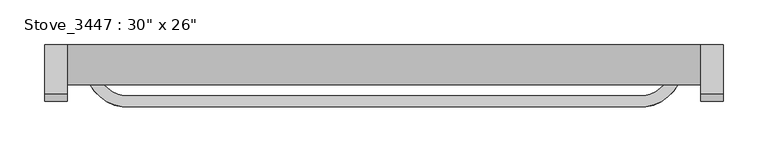
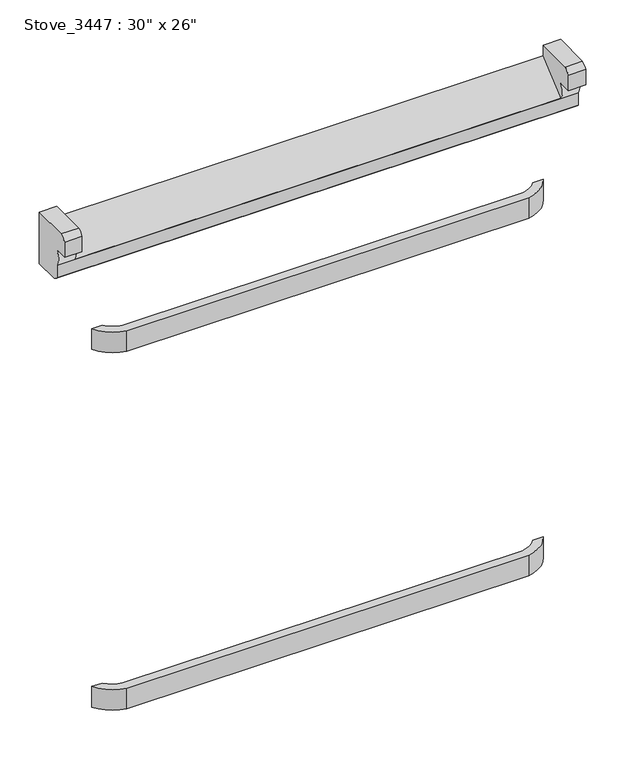
"""IFC4 building model written with IfcOpenShell, lengths in millimetres: proxy geometry."""

from ifc_helpers import new_model, si_unit, point, frame, frame_2d, origin, place, context, project, spatial, polyline, circle_curve, trimmed, segment, composite_curve, outline, extrude, source, transform, mapped, element, save
from ifc_brep_helpers import plane_surface, cylinder_surface, advanced_brep


def proxy_552093c6(model_context):
    return source(origin(), model_context, "Body", "SolidModel", [
        advanced_brep(
        [(762.0, -11.1564341, 914.4), (762.0, -19.05, 906.5064341), (762.0, -19.05, 882.65), (762.0, 0.0, 882.65), (762.0, 0.0, 859.0352534), (762.0, 0.0, 839.9852534), (762.0, 9.5347068, 834.4803879), (762.0, 44.45, 834.4803879), (762.0, 44.45, 914.4), (0.0, -11.1564341, 914.4), (0.0, 44.45, 914.4), (0.0, 44.45, 834.4803879), (0.0, 9.5347068, 834.4803879), (0.0, 0.0, 839.9852534), (0.0, 0.0, 859.0352534), (0.0, 0.0, 882.65), (0.0, -19.05, 882.65), (0.0, -19.05, 906.5064341), (736.6, -11.1564341, 914.4), (736.6, -19.05, 906.5064341), (25.4, -19.05, 906.5064341), (25.4, -11.1564341, 914.4), (736.6, -19.05, 882.65), (25.4, -19.05, 882.65), (736.6, 0.0, 882.65), (25.4, 0.0, 882.65), (736.6, -0.6847313, 859.9487911), (25.4, -0.6847313, 859.9487911), (25.4, 44.45, 914.4), (25.4, 44.45, 897.8213274), (736.6, 44.45, 897.8213274), (736.6, 44.45, 914.4)],
        [
            (0, 1, circle_curve(frame((762.0, -3.0723383, 898.4223383), z_axis=(1.0, 0.0, 0.0), x_axis=(0.0, -1.0, 0.0)), 17.9063754)),
            (1, 2),
            (2, 3),
            (3, 4, circle_curve(frame((762.0, 14.8010994, 870.8426267), z_axis=(1.0, 0.0, 0.0), x_axis=(0.0, -1.0, 0.0)), 18.9337426)),
            (4, 5),
            (5, 6, circle_curve(frame((762.0, 10.9240182, 847.896477), z_axis=(1.0, 0.0, 0.0), x_axis=(0.0, -1.0, 0.0)), 13.4878327)),
            (6, 7),
            (7, 8),
            (8, 0),
            (9, 10),
            (10, 11),
            (11, 12),
            (12, 13, circle_curve(frame((0.0, 10.9240182, 847.896477), z_axis=(-1.0, 0.0, 0.0), x_axis=(0.0, -1.0, 0.0)), 13.4878327)),
            (13, 14),
            (14, 15, circle_curve(frame((0.0, 14.8010994, 870.8426267), z_axis=(-1.0, 0.0, 0.0), x_axis=(0.0, -1.0, 0.0)), 18.9337426)),
            (15, 16),
            (16, 17),
            (17, 9, circle_curve(frame((0.0, -3.0723383, 898.4223383), z_axis=(-1.0, 0.0, 0.0), x_axis=(0.0, -1.0, 0.0)), 17.9063754)),
            (0, 18),
            (18, 19, circle_curve(frame((736.6, -3.0723383, 898.4223383), z_axis=(1.0, 0.0, 0.0), x_axis=(0.0, -1.0, 0.0)), 17.9063754)),
            (19, 1),
            (17, 20),
            (20, 21, circle_curve(frame((25.4, -3.0723383, 898.4223383), z_axis=(-1.0, 0.0, 0.0), x_axis=(0.0, -1.0, 0.0)), 17.9063754)),
            (21, 9),
            (19, 22),
            (22, 2),
            (16, 23),
            (23, 20),
            (22, 24),
            (24, 3),
            (15, 25),
            (25, 23),
            (24, 26, circle_curve(frame((736.6, 14.8010994, 870.8426267), z_axis=(1.0, 0.0, 0.0), x_axis=(0.0, -1.0, 0.0)), 18.9337426)),
            (26, 27),
            (27, 25, circle_curve(frame((25.4, 14.8010994, 870.8426267), z_axis=(-1.0, 0.0, 0.0), x_axis=(0.0, -1.0, 0.0)), 18.9337426)),
            (14, 4),
            (13, 5),
            (12, 6),
            (11, 7),
            (10, 28),
            (28, 29),
            (29, 30),
            (30, 31),
            (31, 8),
            (31, 18),
            (21, 28),
            (30, 26),
            (27, 29),
        ],
        [
            plane_surface(frame((762.0, 0.0, 914.4), z_axis=(1.0, 0.0, 0.0), x_axis=(0.0, 0.0, 1.0))),
            plane_surface(frame((0.0, 0.0, 914.4), z_axis=(-1.0, 0.0, 0.0), x_axis=(0.0, 0.0, 1.0))),
            cylinder_surface(frame((762.0, -3.0723383, 898.4223383), z_axis=(1.0, 0.0, 0.0), x_axis=(0.0, -1.0, 0.0)), 17.9063754),
            plane_surface(frame((762.0, -19.05, 906.5064341), z_axis=(0.0, -1.0, 0.0), x_axis=(-1.0, 0.0, 0.0))),
            plane_surface(frame((762.0, -19.05, 882.65), z_axis=(0.0, 0.0, -1.0), x_axis=(-1.0, 0.0, 0.0))),
            cylinder_surface(frame((762.0, 14.8010994, 870.8426267), z_axis=(1.0, 0.0, 0.0), x_axis=(0.0, -1.0, 0.0)), 18.9337426),
            plane_surface(frame((762.0, 0.0, 859.0352534), z_axis=(0.0, -1.0, 0.0), x_axis=(-1.0, 0.0, 0.0))),
            cylinder_surface(frame((762.0, 10.9240182, 847.896477), z_axis=(1.0, 0.0, 0.0), x_axis=(0.0, -1.0, 0.0)), 13.4878327),
            plane_surface(frame((762.0, 9.5347068, 834.4803879), z_axis=(0.0, 0.0, -1.0), x_axis=(-1.0, 0.0, 0.0))),
            plane_surface(frame((762.0, 44.45, 834.4803879), z_axis=(0.0, 1.0, 0.0), x_axis=(-1.0, 0.0, 0.0))),
            plane_surface(frame((762.0, 44.45, 914.4), z_axis=(0.0, 0.0, 1.0), x_axis=(-1.0, 0.0, 0.0))),
            plane_surface(frame((736.6, -11.1564341, 914.4), z_axis=(-1.0, 0.0, 0.0), x_axis=(0.0, 0.0, 1.0))),
            plane_surface(frame((25.4, -11.1564341, 914.4), z_axis=(1.0, 0.0, 0.0), x_axis=(0.0, 0.0, 1.0))),
            plane_surface(frame((736.6, -4.335527, 856.8854097), z_axis=(0.0, -0.6427876096865406, 0.766044443118977), x_axis=(-1.0, 0.0, 0.0))),
        ],
        [
            (0, [[1, 2, 3, 4, 5, 6, 7, 8, 9]]),
            (1, [[10, 11, 12, 13, 14, 15, 16, 17, 18]]),
            (2, [[-1, 19, 20, 21]]),
            (2, [[-18, 22, 23, 24]]),
            (3, [[-2, -21, 25, 26]]),
            (3, [[-17, 27, 28, -22]]),
            (4, [[-3, -26, 29, 30]]),
            (4, [[-16, 31, 32, -27]]),
            (5, [[-4, -30, 33, 34, 35, -31, -15, 36]]),
            (6, [[-5, -36, -14, 37]]),
            (7, [[-6, -37, -13, 38]]),
            (8, [[-7, -38, -12, 39]]),
            (9, [[-8, -39, -11, 40, 41, 42, 43, 44]]),
            (10, [[-9, -44, 45, -19]]),
            (10, [[-10, -24, 46, -40]]),
            (11, [[47, -33, -29, -25, -20, -45, -43]]),
            (12, [[48, -41, -46, -23, -28, -32, -35]]),
            (13, [[-47, -42, -48, -34]]),
        ],
    ),
        extrude(outline(composite_curve([segment(trimmed(circle_curve(frame_2d((94.6392348, 23.8608107)), 49.9120906), [point((87.2113084, -25.4954726))], [point((50.8, 0.0))], False, "CARTESIAN"), True, "CONTINUOUS"), segment(polyline([(50.8, 0.0), (66.0840005, 0.0)]), True, "CONTINUOUS"), segment(trimmed(circle_curve(frame_2d((94.6392348, 23.8608107)), 37.2120906), [point((66.0840005, 0.0))], [point((88.6267021, -12.8623311))], True, "CARTESIAN"), True, "CONTINUOUS"), segment(trimmed(circle_curve(frame_2d((381.0, 4297.676907)), 4320.4433416), [point((88.6267021, -12.8623311))], [point((673.3732979, -12.8623311))], True, "CARTESIAN"), True, "CONTINUOUS"), segment(trimmed(circle_curve(frame_2d((667.3607652, 23.8608107)), 37.2120906), [point((673.3732979, -12.8623311))], [point((695.9159995, 0.0))], True, "CARTESIAN"), True, "CONTINUOUS"), segment(polyline([(695.9159995, 0.0), (711.2, 0.0)]), True, "CONTINUOUS"), segment(trimmed(circle_curve(frame_2d((667.3607652, 23.8608107)), 49.9120906), [point((711.2, 0.0))], [point((674.7886916, -25.4954726))], False, "CARTESIAN"), True, "CONTINUOUS"), segment(trimmed(circle_curve(frame_2d((381.0, 4297.676907)), 4333.1433416), [point((674.7886916, -25.4954726))], [point((87.2113084, -25.4954726))], False, "CARTESIAN"), True, "CONTINUOUS")], self_intersect=False)), frame((0.0, 0.0, 158.2521604), z_axis=(0.0, 0.0, 1.0), x_axis=(1.0, 0.0, 0.0)), (0.0, 0.0, 1.0), 31.75),
        extrude(outline(composite_curve([segment(trimmed(circle_curve(frame_2d((94.6392348, 23.8608107)), 49.9120906), [point((87.2113084, -25.4954726))], [point((50.8, 0.0))], False, "CARTESIAN"), True, "CONTINUOUS"), segment(polyline([(50.8, 0.0), (66.0840005, 0.0)]), True, "CONTINUOUS"), segment(trimmed(circle_curve(frame_2d((94.6392348, 23.8608107)), 37.2120906), [point((66.0840005, 0.0))], [point((88.6267021, -12.8623311))], True, "CARTESIAN"), True, "CONTINUOUS"), segment(trimmed(circle_curve(frame_2d((381.0, 4297.676907)), 4320.4433416), [point((88.6267021, -12.8623311))], [point((673.3732979, -12.8623311))], True, "CARTESIAN"), True, "CONTINUOUS"), segment(trimmed(circle_curve(frame_2d((667.3607652, 23.8608107)), 37.2120906), [point((673.3732979, -12.8623311))], [point((695.9159995, 0.0))], True, "CARTESIAN"), True, "CONTINUOUS"), segment(polyline([(695.9159995, 0.0), (711.2, 0.0)]), True, "CONTINUOUS"), segment(trimmed(circle_curve(frame_2d((667.3607652, 23.8608107)), 49.9120906), [point((711.2, 0.0))], [point((674.7886916, -25.4954726))], False, "CARTESIAN"), True, "CONTINUOUS"), segment(trimmed(circle_curve(frame_2d((381.0, 4297.676907)), 4333.1433416), [point((674.7886916, -25.4954726))], [point((87.2113084, -25.4954726))], False, "CARTESIAN"), True, "CONTINUOUS")], self_intersect=False)), frame((0.0, 0.0, 711.2), z_axis=(0.0, 0.0, 1.0), x_axis=(1.0, 0.0, 0.0)), (0.0, 0.0, 1.0), 31.75),
    ])


if __name__ == "__main__":
    model = new_model("IFC4")
    model_context = context("Model", 3, world=origin())
    ifc_project = project(units=[si_unit("LENGTHUNIT", "METRE", prefix="MILLI")], contexts=[model_context])
    site = spatial("IfcSite", under=ifc_project)
    building = spatial("IfcBuilding", under=site)
    placement = place(None, origin())
    proxy_shape = proxy_552093c6(model_context)
    element("IfcBuildingElementProxy", 1, Name="Stove_3447 : 30\" x 26\"", ObjectType="Stove_3447 : 30\" x 26\"", at=placement, inside=building, context=model_context, shape_type="MappedRepresentation", body=[
        mapped(proxy_shape, transform((0.0, 0.0, 0.0), x_axis=(1.0, 0.0, 0.0), y_axis=(0.0, 1.0, 0.0), z_axis=(0.0, 0.0, 1.0))),
    ])
    save(model, "model.ifc")
